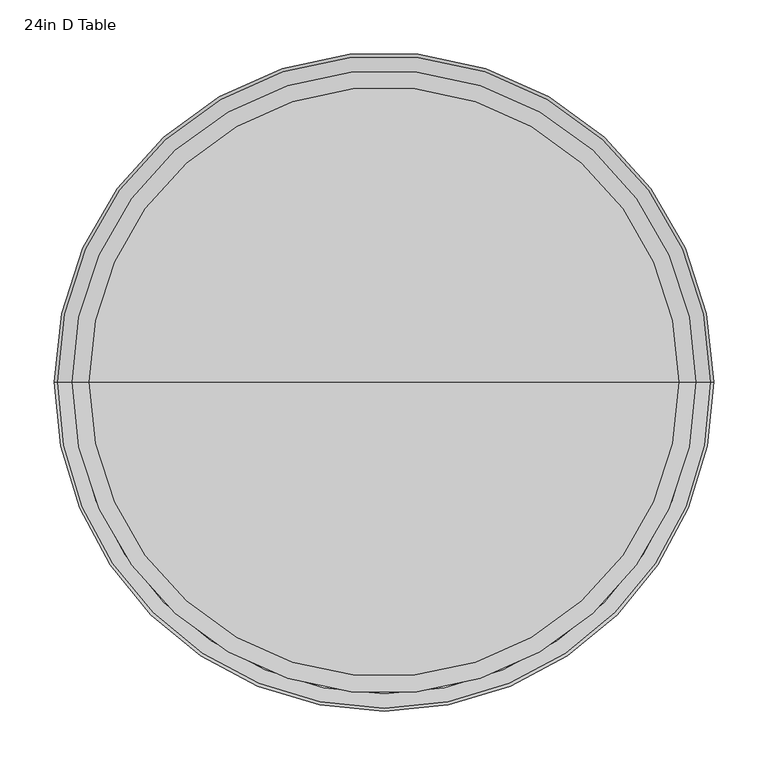
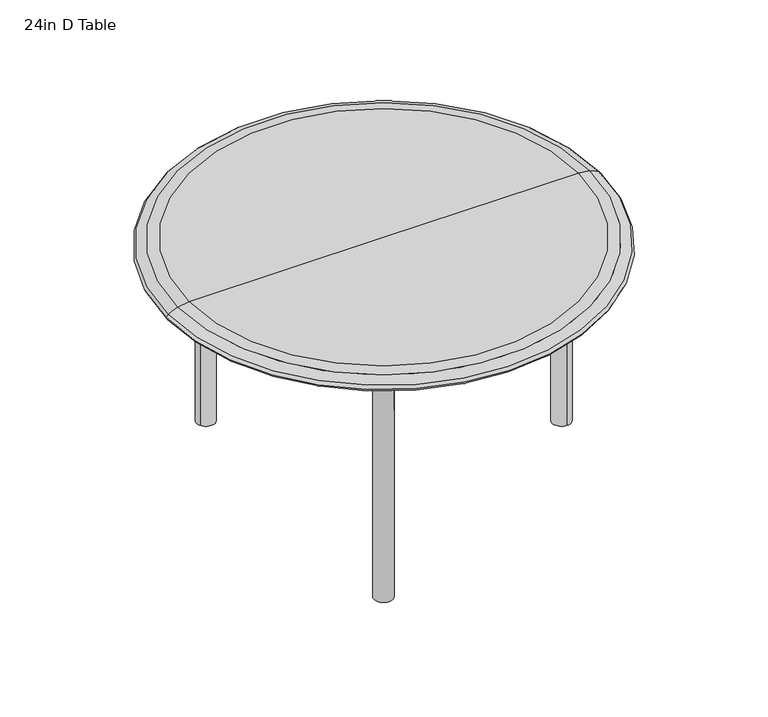
"""IFC4 building model written with IfcOpenShell, lengths in millimetres: furniture geometry, 24in D Table."""

from ifc_helpers import new_model, si_unit, point, frame, frame_2d, origin, place, context, project, spatial, polyline, circle_curve, ellipse_curve, trimmed, segment, composite_curve, outline, extrude, source, transform, mapped, element, save
from ifc_brep_helpers import plane_surface, cylinder_surface, revolved_surface, advanced_brep


def furniture_24in_d_table_733dea30(model_context):
    return source(origin(), model_context, "Body", "SolidModel", [
        advanced_brep(
        [(-135.245266, -207.7636847, 330.5999998), (-11.0404949, 7.3652893, 330.5999998), (-11.0404949, 7.3652893, 315.2230097), (-115.0651473, -172.8106938, 315.2230097), (-135.245266, -207.7636847, 274.8627722), (-112.9017596, -220.6637142, 330.5999998), (-112.9017596, -220.6637142, 274.8627722), (-92.7216408, -185.7107232, 315.2230097), (11.3030115, -5.5347401, 315.2230097), (11.3030115, -5.5347401, 330.5999998)],
        [
            (0, 1),
            (1, 2),
            (2, 3),
            (3, 4, circle_curve(frame((-115.0651473, -172.8106938, 274.8627722), z_axis=(0.8660254037844475, -0.49999999999998473, 0.0), x_axis=(0.49999999999998473, 0.8660254037844475, 0.0)), 40.3602375)),
            (4, 0),
            (5, 6),
            (6, 7, circle_curve(frame((-92.7216408, -185.7107232, 274.8627722), z_axis=(-0.8660254037844475, 0.49999999999998473, 0.0), x_axis=(0.49999999999998473, 0.8660254037844475, 0.0)), 40.3602375)),
            (7, 8),
            (8, 9),
            (9, 5),
            (4, 6),
            (5, 0),
            (3, 7),
            (2, 8),
            (1, 9),
        ],
        [
            plane_surface(frame((-135.245266, -207.7636847, 330.5999998), z_axis=(-0.8660254037844475, 0.49999999999998473, 0.0), x_axis=(0.0, 0.0, -1.0))),
            plane_surface(frame((-112.9017596, -220.6637142, 330.5999998), z_axis=(0.8660254037844475, -0.49999999999998473, 0.0), x_axis=(0.0, 0.0, 1.0))),
            plane_surface(frame((-135.245266, -207.7636847, 330.5999998), z_axis=(-0.4999999999999847, -0.8660254037844475, 0.0), x_axis=(0.8660254037844475, -0.4999999999999847, 0.0))),
            revolved_surface(polyline([(-72.54152205000062, -150.7577322222263, 274.8627722), (-94.88502850998393, -137.85770275291534, 274.8627722)]), (-92.7216408, -185.7107232, 274.8627722), (0.8660254037844475, -0.49999999999998473, 0.0)),
            plane_surface(frame((-115.0651473, -172.8106938, 315.2230097), z_axis=(0.0, 0.0, -1.0), x_axis=(0.8660254037844475, -0.4999999999999848, 0.0))),
            plane_surface(frame((-11.0404949, 7.3652893, 315.2230097), z_axis=(0.49999999999998507, 0.8660254037844473, 0.0), x_axis=(0.8660254037844473, -0.49999999999998507, 0.0))),
            plane_surface(frame((-11.0404949, 7.3652893, 330.5999998), z_axis=(0.0, 0.0, 1.0), x_axis=(0.8660254037844473, -0.49999999999998507, 0.0))),
        ],
        [
            (0, [[1, 2, 3, 4, 5]]),
            (1, [[6, 7, 8, 9, 10]]),
            (2, [[11, -6, 12, -5]]),
            (3, [[13, -7, -11, -4]]),
            (4, [[14, -8, -13, -3]]),
            (5, [[15, -9, -14, -2]]),
            (6, [[-12, -10, -15, -1]]),
        ],
    ),
        advanced_brep(
        [(-112.8432512, -220.1623158, 0.0031248), (-134.8402965, -207.4623158, 0.0031248), (-134.8402965, -207.4623158, 274.4439045), (-112.8432512, -220.1623158, 274.4439045), (-114.4507439, -172.1465748, 315.2230097), (-92.4536986, -184.8465748, 315.2230097), (11.1297809, -5.4347254, 315.2230097), (-10.8672643, 7.2652746, 315.2230097)],
        [
            (0, 1),
            (1, 0, circle_curve(frame((-123.8417738, -213.8123158, 0.0031248), z_axis=(0.0, 0.0, -1.0), x_axis=(0.49999999999998473, 0.8660254037844475, 0.0)), 12.7)),
            (1, 2),
            (2, 3, circle_curve(frame((-123.8417738, -213.8123158, 274.4439045), z_axis=(0.0, 0.0, -1.0), x_axis=(0.49999999999998473, 0.8660254037844475, 0.0)), 12.7)),
            (3, 0),
            (3, 2),
            (4, 5, circle_curve(frame((-103.4522212, -178.4965748, 315.2230097), z_axis=(-0.49999999999998473, -0.8660254037844475, 0.0), x_axis=(0.0, 0.0, -1.0)), 12.7)),
            (5, 3, circle_curve(frame((-92.4536986, -184.8465748, 274.4439045), z_axis=(0.8660254037844475, -0.49999999999998473, 0.0), x_axis=(-0.49999999999998473, -0.8660254037844475, 0.0)), 40.7791052)),
            (2, 4, circle_curve(frame((-114.4507439, -172.1465748, 274.4439045), z_axis=(-0.8660254037844475, 0.49999999999998473, 0.0), x_axis=(-0.49999999999998473, -0.8660254037844475, 0.0)), 40.7791052)),
            (5, 4),
            (6, 7, circle_curve(frame((0.1312583, 0.9152746, 315.2230097), z_axis=(0.49999999999998473, 0.8660254037844475, 0.0), x_axis=(0.0, 0.0, -1.0)), 12.7)),
            (7, 6),
            (4, 7),
            (6, 5),
        ],
        [
            plane_surface(frame((-112.3213416, -220.4636405, 0.0031248), z_axis=(0.0, 0.0, -1.0), x_axis=(0.8660254037844475, -0.49999999999998473, 0.0))),
            cylinder_surface(frame((-123.8417738, -213.8123158, 0.0031248), z_axis=(0.0, 0.0, -1.0), x_axis=(0.49999999999998473, 0.8660254037844475, 0.0)), 12.7),
            plane_surface(frame((-134.8402965, -207.4623158, 0.0031248), z_axis=(-0.4999999999999848, -0.8660254037844475, 0.0), x_axis=(0.0, 0.0, 1.0))),
            revolved_surface(trimmed(ellipse_curve(frame((-123.8417738, -213.8123158, 274.4439045), z_axis=(0.0, 0.0, 1.0), x_axis=(0.49999999999998473, 0.8660254037844475, 0.0)), 12.7, 12.7), [point((-112.8432512, -220.1623158, 274.4439045))], [point((-134.8402965, -207.4623158, 274.4439045))], True, "CARTESIAN"), (-91.931789, -185.1478994, 274.4439045), (0.8660254037844475, -0.49999999999998473, 0.0)),
            cylinder_surface(frame((-91.931789, -185.1478994, 274.4439045), z_axis=(0.8660254037844475, -0.49999999999998473, 0.0), x_axis=(-0.49999999999998473, -0.8660254037844475, 0.0)), 40.7791052),
            plane_surface(frame((11.6516906, -5.73605, 315.2230097), z_axis=(0.49999999999998473, 0.8660254037844475, 0.0), x_axis=(0.8660254037844475, -0.49999999999998473, 0.0))),
            cylinder_surface(frame((-103.4522212, -178.4965748, 315.2230097), z_axis=(-0.49999999999998473, -0.8660254037844475, 0.0), x_axis=(0.0, 0.0, -1.0)), 12.7),
            plane_surface(frame((-114.4507439, -172.1465748, 315.2230097), z_axis=(0.0, 0.0, 1.0), x_axis=(0.49999999999998473, 0.8660254037844475, 0.0))),
        ],
        [
            (0, [[1, 2]]),
            (1, [[3, 4, 5, -2]]),
            (2, [[-5, 6, -3, -1]]),
            (3, [[7, 8, -4, 9]]),
            (4, [[10, -9, -6, -8]]),
            (5, [[11, 12]]),
            (6, [[13, -11, 14, -7]]),
            (7, [[-14, -12, -13, -10]]),
        ],
    ),
        extrude(outline(composite_curve([segment(trimmed(circle_curve(frame_2d((-123.8417738, -213.8123158)), 12.9000295), [point((-112.6700206, -220.2623306))], [point((-135.0135271, -207.3623011))], False, "CARTESIAN"), True, "CONTINUOUS"), segment(polyline([(-135.0135271, -207.3623011), (-112.6700206, -220.2623306)]), True, "CONTINUOUS")], self_intersect=False)), frame((0.0, 0.0, 0.0031248), z_axis=(0.0, 0.0, 1.0), x_axis=(1.0, 0.0, 0.0)), (0.0, 0.0, 1.0), 330.596875),
        advanced_brep(
        [(-135.245266, 207.7636847, 330.5999998), (-135.245266, 207.7636847, 274.8627722), (-115.0651473, 172.8106938, 315.2230097), (-11.0404949, -7.3652893, 315.2230097), (-11.0404949, -7.3652893, 330.5999998), (-112.9017596, 220.6637142, 330.5999998), (11.3030115, 5.5347401, 330.5999998), (11.3030115, 5.5347401, 315.2230097), (-92.7216408, 185.7107232, 315.2230097), (-112.9017596, 220.6637142, 274.8627722)],
        [
            (0, 1),
            (1, 2, circle_curve(frame((-115.0651473, 172.8106938, 274.8627722), z_axis=(0.8660254037844445, 0.49999999999998995, 0.0), x_axis=(0.49999999999998995, -0.8660254037844445, 0.0)), 40.3602375)),
            (2, 3),
            (3, 4),
            (4, 0),
            (5, 6),
            (6, 7),
            (7, 8),
            (8, 9, circle_curve(frame((-92.7216408, 185.7107232, 274.8627722), z_axis=(-0.8660254037844445, -0.49999999999998995, 0.0), x_axis=(0.49999999999998995, -0.8660254037844445, 0.0)), 40.3602375)),
            (9, 5),
            (0, 5),
            (9, 1),
            (8, 2),
            (7, 3),
            (6, 4),
        ],
        [
            plane_surface(frame((-135.245266, 207.7636847, 330.5999998), z_axis=(-0.8660254037844445, -0.49999999999998995, 0.0), x_axis=(0.0, 0.0, -1.0))),
            plane_surface(frame((-112.9017596, 220.6637142, 330.5999998), z_axis=(0.8660254037844445, 0.49999999999998995, 0.0), x_axis=(0.0, 0.0, 1.0))),
            plane_surface(frame((-135.245266, 207.7636847, 330.5999998), z_axis=(-0.4999999999999899, 0.8660254037844445, 0.0), x_axis=(0.8660254037844445, 0.4999999999999899, 0.0))),
            revolved_surface(polyline([(-72.54152205000041, 150.75773222222642, 274.8627722), (-94.88502850998363, 137.85770275291532, 274.8627722)]), (-92.7216408, 185.7107232, 274.8627722), (0.8660254037844445, 0.49999999999998995, 0.0)),
            plane_surface(frame((-115.0651473, 172.8106938, 315.2230097), z_axis=(0.0, 0.0, -1.0), x_axis=(0.8660254037844445, 0.49999999999999, 0.0))),
            plane_surface(frame((-11.0404949, -7.3652893, 315.2230097), z_axis=(0.4999999999999903, -0.8660254037844443, 0.0), x_axis=(0.8660254037844443, 0.4999999999999903, 0.0))),
            plane_surface(frame((-11.0404949, -7.3652893, 330.5999998), z_axis=(0.0, 0.0, 1.0), x_axis=(0.8660254037844443, 0.4999999999999903, 0.0))),
        ],
        [
            (0, [[1, 2, 3, 4, 5]]),
            (1, [[6, 7, 8, 9, 10]]),
            (2, [[-1, 11, -10, 12]]),
            (3, [[-2, -12, -9, 13]]),
            (4, [[-3, -13, -8, 14]]),
            (5, [[-4, -14, -7, 15]]),
            (6, [[-5, -15, -6, -11]]),
        ],
    ),
        advanced_brep(
        [(-112.8432512, 220.1623158, 0.0031248), (-134.8402965, 207.4623158, 0.0031248), (-112.8432512, 220.1623158, 274.4439045), (-134.8402965, 207.4623158, 274.4439045), (-114.4507439, 172.1465748, 315.2230097), (-92.4536986, 184.8465748, 315.2230097), (11.1297809, 5.4347254, 315.2230097), (-10.8672643, -7.2652746, 315.2230097)],
        [
            (0, 1, circle_curve(frame((-123.8417738, 213.8123158, 0.0031248), z_axis=(0.0, 0.0, -1.0), x_axis=(0.49999999999998995, -0.8660254037844445, 0.0)), 12.7)),
            (1, 0),
            (0, 2),
            (2, 3, circle_curve(frame((-123.8417738, 213.8123158, 274.4439045), z_axis=(0.0, 0.0, -1.0), x_axis=(0.49999999999998995, -0.8660254037844445, 0.0)), 12.7)),
            (3, 1),
            (3, 2),
            (4, 3, circle_curve(frame((-114.4507439, 172.1465748, 274.4439045), z_axis=(-0.8660254037844445, -0.49999999999998995, 0.0), x_axis=(-0.49999999999998995, 0.8660254037844445, 0.0)), 40.7791052)),
            (2, 5, circle_curve(frame((-92.4536986, 184.8465748, 274.4439045), z_axis=(0.8660254037844445, 0.49999999999998995, 0.0), x_axis=(-0.49999999999998995, 0.8660254037844445, 0.0)), 40.7791052)),
            (5, 4, circle_curve(frame((-103.4522212, 178.4965748, 315.2230097), z_axis=(-0.49999999999998995, 0.8660254037844445, 0.0), x_axis=(0.0, 0.0, -1.0)), 12.7)),
            (4, 5),
            (6, 7),
            (7, 6, circle_curve(frame((0.1312583, -0.9152746, 315.2230097), z_axis=(0.49999999999998995, -0.8660254037844445, 0.0), x_axis=(0.0, 0.0, -1.0)), 12.7)),
            (5, 6),
            (7, 4),
        ],
        [
            plane_surface(frame((-112.3213416, 220.4636405, 0.0031248), z_axis=(0.0, 0.0, -1.0), x_axis=(0.8660254037844445, 0.49999999999998995, 0.0))),
            cylinder_surface(frame((-123.8417738, 213.8123158, 0.0031248), z_axis=(0.0, 0.0, -1.0), x_axis=(0.49999999999998995, -0.8660254037844445, 0.0)), 12.7),
            plane_surface(frame((-134.8402965, 207.4623158, 0.0031248), z_axis=(-0.49999999999999, 0.8660254037844445, 0.0), x_axis=(0.0, 0.0, 1.0))),
            revolved_surface(trimmed(ellipse_curve(frame((-123.8417738, 213.8123158, 274.4439045), z_axis=(0.0, 0.0, -1.0), x_axis=(0.49999999999998995, -0.8660254037844445, 0.0)), 12.7, 12.7), [point((-112.8432512, 220.1623158, 274.4439045))], [point((-134.8402965, 207.4623158, 274.4439045))], True, "CARTESIAN"), (-91.931789, 185.1478994, 274.4439045), (0.8660254037844445, 0.49999999999998995, 0.0)),
            cylinder_surface(frame((-91.931789, 185.1478994, 274.4439045), z_axis=(0.8660254037844445, 0.49999999999998995, 0.0), x_axis=(-0.49999999999998995, 0.8660254037844445, 0.0)), 40.7791052),
            plane_surface(frame((11.6516906, 5.73605, 315.2230097), z_axis=(0.49999999999998995, -0.8660254037844445, 0.0), x_axis=(0.8660254037844445, 0.49999999999998995, 0.0))),
            cylinder_surface(frame((-103.4522212, 178.4965748, 315.2230097), z_axis=(-0.49999999999998995, 0.8660254037844445, 0.0), x_axis=(0.0, 0.0, -1.0)), 12.7),
            plane_surface(frame((-114.4507439, 172.1465748, 315.2230097), z_axis=(0.0, 0.0, 1.0), x_axis=(0.49999999999998995, -0.8660254037844445, 0.0))),
        ],
        [
            (0, [[1, 2]]),
            (1, [[-1, 3, 4, 5]]),
            (2, [[-2, -5, 6, -3]]),
            (3, [[7, -4, 8, 9]]),
            (4, [[-8, -6, -7, 10]]),
            (5, [[11, 12]]),
            (6, [[-9, 13, -12, 14]]),
            (7, [[-10, -14, -11, -13]]),
        ],
    ),
        extrude(outline(composite_curve([segment(polyline([(-112.6700206, 220.2623306), (-135.0135271, 207.3623011)]), True, "CONTINUOUS"), segment(trimmed(circle_curve(frame_2d((-123.8417738, 213.8123158)), 12.9000295), [point((-135.0135271, 207.3623011))], [point((-112.6700206, 220.2623306))], False, "CARTESIAN"), True, "CONTINUOUS")], self_intersect=False)), frame((0.0, 0.0, 0.0031248), z_axis=(0.0, 0.0, 1.0), x_axis=(1.0, 0.0, 0.0)), (0.0, 0.0, 1.0), 330.596875),
        advanced_brep(
        [(247.551262, -13.2439937, 330.5999998), (-0.8582802, -13.2439937, 330.5999998), (-0.8582802, -13.2439937, 315.2230097), (207.1910245, -13.2439937, 315.2230097), (247.551262, -13.2439937, 274.8627722), (247.551262, 12.5560652, 330.5999998), (247.551262, 12.5560652, 274.8627722), (207.1910245, 12.5560652, 315.2230097), (-0.8582802, 12.5560652, 315.2230097), (-0.8582802, 12.5560652, 330.5999998)],
        [
            (0, 1),
            (1, 2),
            (2, 3),
            (3, 4, circle_curve(frame((207.1910245, -13.2439937, 274.8627722), z_axis=(0.0, 1.0, 0.0), x_axis=(-1.0, 0.0, 0.0)), 40.3602375)),
            (4, 0),
            (5, 6),
            (6, 7, circle_curve(frame((207.1910245, 12.5560652, 274.8627722), z_axis=(0.0, -1.0, 0.0), x_axis=(-1.0, 0.0, 0.0)), 40.3602375)),
            (7, 8),
            (8, 9),
            (9, 5),
            (4, 6),
            (5, 0),
            (3, 7),
            (2, 8),
            (1, 9),
        ],
        [
            plane_surface(frame((247.551262, -13.2439937, 330.5999998), z_axis=(0.0, -1.0, 0.0), x_axis=(0.0, 0.0, -1.0))),
            plane_surface(frame((247.551262, 12.5560652, 330.5999998), z_axis=(0.0, 1.0, 0.0), x_axis=(0.0, 0.0, 1.0))),
            plane_surface(frame((247.551262, -13.2439937, 330.5999998), z_axis=(1.0, 0.0, 0.0), x_axis=(0.0, 1.0, 0.0))),
            revolved_surface(polyline([(166.830787, 12.5560652, 274.8627722), (166.830787, -13.243993700000003, 274.8627722)]), (207.1910245, 12.5560652, 274.8627722), (0.0, 1.0, 0.0)),
            plane_surface(frame((207.1910245, -13.2439937, 315.2230097), z_axis=(0.0, 0.0, -1.0), x_axis=(0.0, 1.0, 0.0))),
            plane_surface(frame((-0.8582802, -13.2439937, 315.2230097), z_axis=(-1.0, 0.0, 0.0), x_axis=(0.0, 1.0, 0.0))),
            plane_surface(frame((-0.8582802, -13.2439937, 330.5999998), z_axis=(0.0, 0.0, 1.0), x_axis=(0.0, 1.0, 0.0))),
        ],
        [
            (0, [[1, 2, 3, 4, 5]]),
            (1, [[6, 7, 8, 9, 10]]),
            (2, [[11, -6, 12, -5]]),
            (3, [[13, -7, -11, -4]]),
            (4, [[14, -8, -13, -3]]),
            (5, [[15, -9, -14, -2]]),
            (6, [[-12, -10, -15, -1]]),
        ],
    ),
        advanced_brep(
        [(247.0877841, 12.3560357, 0.0031248), (247.0877841, -13.0439643, 0.0031248), (247.0877841, -13.0439643, 274.4439045), (247.0877841, 12.3560357, 274.4439045), (206.3086788, -13.0439643, 315.2230097), (206.3086788, 12.3560357, 315.2230097), (-0.8582802, 12.3560357, 315.2230097), (-0.8582802, -13.0439643, 315.2230097)],
        [
            (0, 1),
            (1, 0, circle_curve(frame((247.0877841, -0.3439643, 0.0031248), z_axis=(0.0, 0.0, -1.0), x_axis=(-1.0, 0.0, 0.0)), 12.7)),
            (1, 2),
            (2, 3, circle_curve(frame((247.0877841, -0.3439643, 274.4439045), z_axis=(0.0, 0.0, -1.0), x_axis=(-1.0, 0.0, 0.0)), 12.7)),
            (3, 0),
            (3, 2),
            (4, 5, circle_curve(frame((206.3086788, -0.3439643, 315.2230097), z_axis=(1.0, 0.0, 0.0), x_axis=(0.0, 0.0, -1.0)), 12.7)),
            (5, 3, circle_curve(frame((206.3086788, 12.3560357, 274.4439045), z_axis=(0.0, 1.0, 0.0), x_axis=(1.0, 0.0, 0.0)), 40.7791052)),
            (2, 4, circle_curve(frame((206.3086788, -13.0439643, 274.4439045), z_axis=(0.0, -1.0, 0.0), x_axis=(1.0, 0.0, 0.0)), 40.7791052)),
            (5, 4),
            (6, 7, circle_curve(frame((-0.8582802, -0.3439643, 315.2230097), z_axis=(-1.0, 0.0, 0.0), x_axis=(0.0, 0.0, -1.0)), 12.7)),
            (7, 6),
            (4, 7),
            (6, 5),
        ],
        [
            plane_surface(frame((247.0877841, 12.958685, 0.0031248), z_axis=(0.0, 0.0, -1.0), x_axis=(0.0, 1.0, 0.0))),
            cylinder_surface(frame((247.0877841, -0.3439643, 0.0031248), z_axis=(0.0, 0.0, -1.0), x_axis=(-1.0, 0.0, 0.0)), 12.7),
            plane_surface(frame((247.0877841, -13.0439643, 0.0031248), z_axis=(1.0, 0.0, 0.0), x_axis=(0.0, 0.0, 1.0))),
            revolved_surface(trimmed(ellipse_curve(frame((247.0877841, -0.3439643, 274.4439045), z_axis=(0.0, 0.0, 1.0), x_axis=(-1.0, 0.0, 0.0)), 12.7, 12.7), [point((247.0877841, 12.3560357, 274.4439045))], [point((247.0877841, -13.0439643, 274.4439045))], True, "CARTESIAN"), (206.3086788, 12.958685, 274.4439045), (0.0, 1.0, 0.0)),
            cylinder_surface(frame((206.3086788, 12.958685, 274.4439045), z_axis=(0.0, 1.0, 0.0), x_axis=(1.0, 0.0, 0.0)), 40.7791052),
            plane_surface(frame((-0.8582802, 12.958685, 315.2230097), z_axis=(-1.0, 0.0, 0.0), x_axis=(0.0, 1.0, 0.0))),
            cylinder_surface(frame((206.3086788, -0.3439643, 315.2230097), z_axis=(1.0, 0.0, 0.0), x_axis=(0.0, 0.0, -1.0)), 12.7),
            plane_surface(frame((206.3086788, -13.0439643, 315.2230097), z_axis=(0.0, 0.0, 1.0), x_axis=(-1.0, 0.0, 0.0))),
        ],
        [
            (0, [[1, 2]]),
            (1, [[3, 4, 5, -2]]),
            (2, [[-5, 6, -3, -1]]),
            (3, [[7, 8, -4, 9]]),
            (4, [[10, -9, -6, -8]]),
            (5, [[11, 12]]),
            (6, [[13, -11, 14, -7]]),
            (7, [[-14, -12, -13, -10]]),
        ],
    ),
        extrude(outline(composite_curve([segment(trimmed(circle_curve(frame_2d((247.0877841, -0.3439643)), 12.9000295), [point((247.0877841, 12.5560652))], [point((247.0877841, -13.2439937))], False, "CARTESIAN"), True, "CONTINUOUS"), segment(polyline([(247.0877841, -13.2439937), (247.0877841, 12.5560652)]), True, "CONTINUOUS")], self_intersect=False)), frame((0.0, 0.0, 0.0031248), z_axis=(0.0, 0.0, 1.0), x_axis=(1.0, 0.0, 0.0)), (0.0, 0.0, 1.0), 330.596875),
        advanced_brep(
        [(270.6459554, 0.0, 355.6), (-270.6459554, 0.0, 355.6), (0.0, 0.0, 355.6), (286.2187293, 0.0, 353.4461404), (-286.2187293, 0.0, 353.4461404), (299.5469444, 0.0, 347.2310916), (-299.5469444, 0.0, 347.2310916), (302.4395659, 0.0, 343.0999999), (-302.4395659, 0.0, 343.0999999), (299.5469444, 0.0, 338.9689082), (-299.5469444, 0.0, 338.9689082), (286.2187293, 0.0, 332.7538594), (-286.2187293, 0.0, 332.7538594), (270.6459554, 0.0, 330.5999998), (-270.6459554, 0.0, 330.5999998), (0.0, 0.0, 330.5999998)],
        [
            (0, 1, circle_curve(frame((0.0, 0.0, 355.6), z_axis=(0.0, 0.0, 1.0), x_axis=(-1.0, 0.0, 0.0)), 270.6459554)),
            (1, 2),
            (2, 0),
            (1, 0, circle_curve(frame((0.0, 0.0, 355.6), z_axis=(0.0, 0.0, 1.0), x_axis=(-1.0, 0.0, 0.0)), 270.6459554)),
            (3, 4, circle_curve(frame((0.0, 0.0, 353.4461404), z_axis=(0.0, 0.0, 1.0), x_axis=(-1.0, 0.0, 0.0)), 286.2187293)),
            (4, 1, circle_curve(frame((-266.1229782, 0.0, 265.5242603), z_axis=(0.0, 1.0, 0.0), x_axis=(1.0, 0.0, 0.0)), 90.1892245)),
            (0, 3, circle_curve(frame((266.1229782, 0.0, 265.5242603), z_axis=(0.0, 1.0, 0.0), x_axis=(-1.0, 0.0, 0.0)), 90.1892245)),
            (4, 3, circle_curve(frame((0.0, 0.0, 353.4461404), z_axis=(0.0, 0.0, 1.0), x_axis=(-1.0, 0.0, 0.0)), 286.2187293)),
            (5, 6, circle_curve(frame((0.0, 0.0, 347.2310916), z_axis=(0.0, 0.0, 1.0), x_axis=(-1.0, 0.0, 0.0)), 299.5469444)),
            (6, 4, circle_curve(frame((-278.418841, 0.0, 319.3204769), z_axis=(0.0, 1.0, 0.0), x_axis=(1.0, 0.0, 0.0)), 35.0057019)),
            (3, 5, circle_curve(frame((278.418841, 0.0, 319.3204769), z_axis=(0.0, 1.0, 0.0), x_axis=(-1.0, 0.0, 0.0)), 35.0057019)),
            (6, 5, circle_curve(frame((0.0, 0.0, 347.2310916), z_axis=(0.0, 0.0, 1.0), x_axis=(-1.0, 0.0, 0.0)), 299.5469444)),
            (7, 8, circle_curve(frame((0.0, 0.0, 343.0999999), z_axis=(0.0, 0.0, 1.0), x_axis=(-1.0, 0.0, 0.0)), 302.4395659)),
            (8, 6, circle_curve(frame((-294.5884886, 0.0, 340.6808799), z_axis=(0.0, 1.0, 0.0), x_axis=(1.0, 0.0, 0.0)), 8.2153245)),
            (5, 7, circle_curve(frame((294.5884886, 0.0, 340.6808799), z_axis=(0.0, 1.0, 0.0), x_axis=(-1.0, 0.0, 0.0)), 8.2153245)),
            (8, 7, circle_curve(frame((0.0, 0.0, 343.0999999), z_axis=(0.0, 0.0, 1.0), x_axis=(-1.0, 0.0, 0.0)), 302.4395659)),
            (9, 10, circle_curve(frame((0.0, 0.0, 338.9689082), z_axis=(0.0, 0.0, 1.0), x_axis=(-1.0, 0.0, 0.0)), 299.5469444)),
            (10, 8, circle_curve(frame((-294.5884886, 0.0, 345.5191199), z_axis=(0.0, 1.0, 0.0), x_axis=(1.0, 0.0, 0.0)), 8.2153245)),
            (7, 9, circle_curve(frame((294.5884886, 0.0, 345.5191199), z_axis=(0.0, 1.0, 0.0), x_axis=(-1.0, 0.0, 0.0)), 8.2153245)),
            (10, 9, circle_curve(frame((0.0, 0.0, 338.9689082), z_axis=(0.0, 0.0, 1.0), x_axis=(-1.0, 0.0, 0.0)), 299.5469444)),
            (11, 12, circle_curve(frame((0.0, 0.0, 332.7538594), z_axis=(0.0, 0.0, 1.0), x_axis=(-1.0, 0.0, 0.0)), 286.2187293)),
            (12, 10, circle_curve(frame((-278.418841, 0.0, 366.8795229), z_axis=(0.0, 1.0, 0.0), x_axis=(1.0, 0.0, 0.0)), 35.0057019)),
            (9, 11, circle_curve(frame((278.418841, 0.0, 366.8795229), z_axis=(0.0, 1.0, 0.0), x_axis=(-1.0, 0.0, 0.0)), 35.0057019)),
            (12, 11, circle_curve(frame((0.0, 0.0, 332.7538594), z_axis=(0.0, 0.0, 1.0), x_axis=(-1.0, 0.0, 0.0)), 286.2187293)),
            (13, 14, circle_curve(frame((0.0, 0.0, 330.5999998), z_axis=(0.0, 0.0, 1.0), x_axis=(-1.0, 0.0, 0.0)), 270.6459554)),
            (14, 12, circle_curve(frame((-266.1229782, 0.0, 420.6757395), z_axis=(0.0, 1.0, 0.0), x_axis=(1.0, 0.0, 0.0)), 90.1892245)),
            (11, 13, circle_curve(frame((266.1229782, 0.0, 420.6757395), z_axis=(0.0, 1.0, 0.0), x_axis=(-1.0, 0.0, 0.0)), 90.1892245)),
            (14, 13, circle_curve(frame((0.0, 0.0, 330.5999998), z_axis=(0.0, 0.0, 1.0), x_axis=(-1.0, 0.0, 0.0)), 270.6459554)),
            (15, 14),
            (13, 15),
        ],
        [
            plane_surface(frame((0.0, 0.0, 355.6), z_axis=(0.0, 0.0, 1.0), x_axis=(-1.0, 0.0, 0.0))),
            revolved_surface(trimmed(ellipse_curve(frame((-266.1229782, 0.0, 265.5242603), z_axis=(0.0, -1.0, 0.0), x_axis=(1.0, 0.0, 0.0)), 90.1892245, 90.1892245), [point((-270.6459554, 0.0, 355.6))], [point((-286.2187293, 0.0, 353.4461404))], True, "CARTESIAN"), (0.0, 0.0, 2345.2288111), (0.0, 0.0, -1.0)),
            revolved_surface(trimmed(ellipse_curve(frame((-278.418841, 0.0, 319.3204769), z_axis=(0.0, -1.0, 0.0), x_axis=(1.0, 0.0, 0.0)), 35.0057019, 35.0057019), [point((-286.2187293, 0.0, 353.4461404))], [point((-299.5469444, 0.0, 347.2310916))], True, "CARTESIAN"), (0.0, 0.0, 2345.2288111), (0.0, 0.0, -1.0)),
            revolved_surface(trimmed(ellipse_curve(frame((-294.5884886, 0.0, 340.6808799), z_axis=(0.0, -1.0, 0.0), x_axis=(1.0, 0.0, 0.0)), 8.2153245, 8.2153245), [point((-299.5469444, 0.0, 347.2310916))], [point((-302.4395659, 0.0, 343.0999999))], True, "CARTESIAN"), (0.0, 0.0, 2345.2288111), (0.0, 0.0, -1.0)),
            revolved_surface(trimmed(ellipse_curve(frame((-294.5884886, 0.0, 345.5191199), z_axis=(0.0, -1.0, 0.0), x_axis=(1.0, 0.0, 0.0)), 8.2153245, 8.2153245), [point((-302.4395659, 0.0, 343.0999999))], [point((-299.5469444, 0.0, 338.9689082))], True, "CARTESIAN"), (0.0, 0.0, 2345.2288111), (0.0, 0.0, -1.0)),
            revolved_surface(trimmed(ellipse_curve(frame((-278.418841, 0.0, 366.8795229), z_axis=(0.0, -1.0, 0.0), x_axis=(1.0, 0.0, 0.0)), 35.0057019, 35.0057019), [point((-299.5469444, 0.0, 338.9689082))], [point((-286.2187293, 0.0, 332.7538594))], True, "CARTESIAN"), (0.0, 0.0, 2345.2288111), (0.0, 0.0, -1.0)),
            revolved_surface(trimmed(ellipse_curve(frame((-266.1229782, 0.0, 420.6757395), z_axis=(0.0, -1.0, 0.0), x_axis=(1.0, 0.0, 0.0)), 90.1892245, 90.1892245), [point((-286.2187293, 0.0, 332.7538594))], [point((-270.6459554, 0.0, 330.5999998))], True, "CARTESIAN"), (0.0, 0.0, 2345.2288111), (0.0, 0.0, -1.0)),
            plane_surface(frame((0.0, 0.0, 330.5999998), z_axis=(0.0, 0.0, -1.0), x_axis=(-1.0, 0.0, 0.0))),
        ],
        [
            (0, [[1, 2, 3]]),
            (0, [[4, -3, -2]]),
            (1, [[5, 6, -1, 7]]),
            (1, [[8, -7, -4, -6]]),
            (2, [[9, 10, -5, 11]]),
            (2, [[12, -11, -8, -10]]),
            (3, [[13, 14, -9, 15]]),
            (3, [[16, -15, -12, -14]]),
            (4, [[17, 18, -13, 19]]),
            (4, [[20, -19, -16, -18]]),
            (5, [[21, 22, -17, 23]]),
            (5, [[24, -23, -20, -22]]),
            (6, [[25, 26, -21, 27]]),
            (6, [[28, -27, -24, -26]]),
            (7, [[29, -25, 30]]),
            (7, [[-30, -28, -29]]),
        ],
    ),
    ])


if __name__ == "__main__":
    model = new_model("IFC4")
    model_context = context("Model", 3, world=origin())
    ifc_project = project(units=[si_unit("LENGTHUNIT", "METRE", prefix="MILLI")], contexts=[model_context])
    site = spatial("IfcSite", under=ifc_project)
    building = spatial("IfcBuilding", under=site)
    placement = place(None, origin())
    furniture_24in_d_table_shape = furniture_24in_d_table_733dea30(model_context)
    element("IfcFurniture", 1, ObjectType="24in D Table", at=placement, inside=building, context=model_context, shape_type="MappedRepresentation", body=[
        mapped(furniture_24in_d_table_shape, transform((0.0, 0.0, 0.0), x_axis=(1.0, 0.0, 0.0), y_axis=(0.0, 1.0, 0.0), z_axis=(0.0, 0.0, 1.0))),
    ])
    save(model, "model.ifc")
